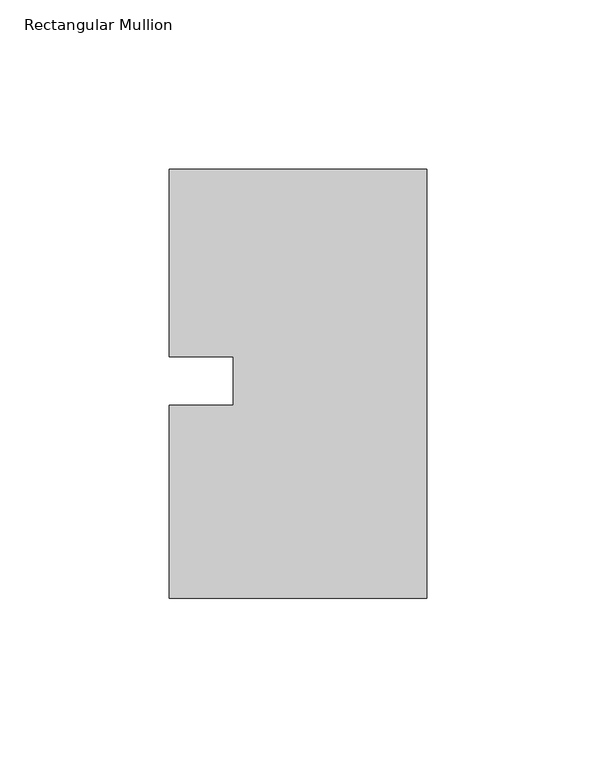
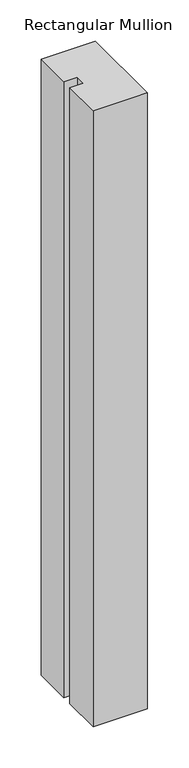
"""IFC4 building model written with IfcOpenShell, lengths in millimetres: member geometry, Rectangular Mullion."""

from ifc_helpers import new_model, si_unit, frame, origin, place, context, project, spatial, polyline, outline, extrude, source, transform, mapped, element, save


def rectangular_mullion_1b595940(model_context):
    return source(origin(), model_context, "Body", "SweptSolid", [
        extrude(outline(polyline([(-76.2, 62.70625), (0.0, 62.70625), (0.0, -64.29375), (-76.2, -64.29375), (-76.2, -7.14375), (-57.15, -7.14375), (-57.15, 7.14375), (-76.2, 7.14375), (-76.2, 62.70625)])), frame((0.0, 0.0, -915.5594027), z_axis=(0.0, 0.0, 1.0), x_axis=(1.0, 0.0, 0.0)), (0.0, 0.0, 1.0), 915.5594027),
    ])


if __name__ == "__main__":
    model = new_model("IFC4")
    model_context = context("Model", 3, world=origin())
    ifc_project = project(units=[si_unit("LENGTHUNIT", "METRE", prefix="MILLI")], contexts=[model_context])
    site = spatial("IfcSite", under=ifc_project)
    building = spatial("IfcBuilding", under=site)
    placement = place(None, origin())
    rectangular_mullion_shape = rectangular_mullion_1b595940(model_context)
    element("IfcMember", 1, ObjectType="Rectangular Mullion", at=placement, inside=building, context=model_context, shape_type="MappedRepresentation", body=[
        mapped(rectangular_mullion_shape, transform((0.0, 0.0, 0.0), x_axis=(1.0, 0.0, 0.0), y_axis=(0.0, 1.0, 0.0), z_axis=(0.0, 0.0, 1.0))),
    ])
    save(model, "model.ifc")
